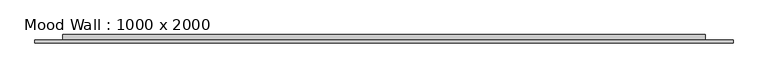
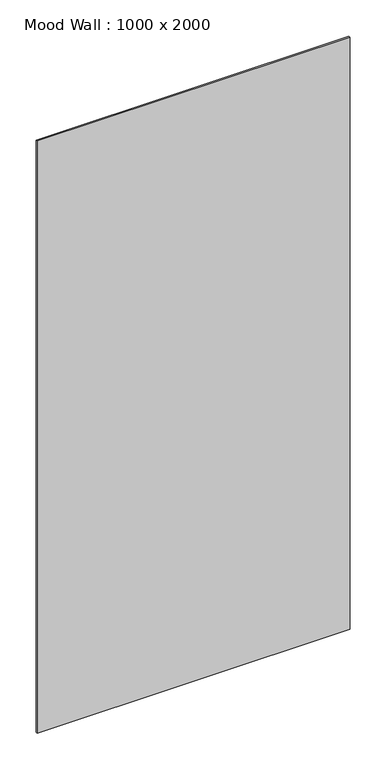
"""IFC4 building model written with IfcOpenShell, lengths in millimetres: furniture geometry, Mood Wall : 1000 x 2000."""

import ifcopenshell
import ifcopenshell.guid

model = None  # the IFC model being written
_history = None  # IfcOwnerHistory: only IFC2X3 demands one
_inside = {}  # id of a spatial element -> (the spatial element, [elements in it])
_under = {}  # id of a project, library or spatial element -> (it, [spatial elements below it])
_declared = {}  # id of a project -> (the project, [libraries it declares])
_typed = {}  # id of a type object -> (the type object, [elements of that type])
_made_of = {}  # id of a material, layer set ... -> (it, [elements and type objects made of it])


def new_model(schema):
    """Start an empty IFC model of exactly this schema.

    Asked for "IFC4X3", IfcOpenShell would pick the latest addendum, in which some entities
    have other attributes; the version numbers below select the first issue.
    IFC2X3 requires an IfcOwnerHistory on every rooted entity: one is made here for all.
    """
    global model, _history
    if schema == "IFC4X3":
        model = ifcopenshell.file(schema_version=(4, 3, 0, 0))
    else:
        model = ifcopenshell.file(schema=schema)
    _inside.clear()
    _under.clear()
    _declared.clear()
    _typed.clear()
    _made_of.clear()
    _history = None
    if model.schema == "IFC2X3":
        org = make("IfcOrganization", Name="unknown")
        user = make(
            "IfcPersonAndOrganization",
            ThePerson=make("IfcPerson", FamilyName="unknown"),
            TheOrganization=org,
        )
        app = make(
            "IfcApplication",
            ApplicationDeveloper=org,
            Version="unknown",
            ApplicationFullName="unknown",
            ApplicationIdentifier="unknown",
        )
        _history = make(
            "IfcOwnerHistory",
            OwningUser=user,
            OwningApplication=app,
            ChangeAction="ADDED",
            CreationDate=0,
        )
    return model


def make(cls, **values):
    """One entity of the class cls with the attributes given. An attribute that is None is left unset."""
    return model.create_entity(
        cls, **{name: value for name, value in values.items() if value is not None}
    )


def rooted(cls, **values):
    """An entity with a GlobalId (a new one), such as an element, a storey or a relation."""
    return make(cls, GlobalId=ifcopenshell.guid.new(), OwnerHistory=_history, **values)


def si_unit(unit_type, name, prefix=None):
    """IfcSIUnit, for example si_unit("LENGTHUNIT", "METRE", prefix="MILLI")."""
    return make("IfcSIUnit", UnitType=unit_type, Prefix=prefix, Name=name)


def assignment(units):
    """IfcUnitAssignment: the units of a project."""
    return None if units is None else make("IfcUnitAssignment", Units=units)


def point(xyz):
    """IfcCartesianPoint."""
    return None if xyz is None else make("IfcCartesianPoint", Coordinates=xyz)


def direction(xyz):
    """IfcDirection."""
    return None if xyz is None else make("IfcDirection", DirectionRatios=xyz)


def frame(location, z_axis=None, x_axis=None):
    """IfcAxis2Placement3D, a coordinate frame: its origin and axes. An axis left out is left unset."""
    return make(
        "IfcAxis2Placement3D",
        Location=point(location),
        Axis=direction(z_axis),
        RefDirection=direction(x_axis),
    )


def origin():
    """The frame at (0, 0, 0) with its axes left unset."""
    return frame((0.0, 0.0, 0.0))


def origin_with_axes():
    """The frame at (0, 0, 0) with the z axis (0, 0, 1) and the x axis (1, 0, 0) written out."""
    return frame((0.0, 0.0, 0.0), z_axis=(0.0, 0.0, 1.0), x_axis=(1.0, 0.0, 0.0))


def place(relative_to, where):
    """IfcLocalPlacement: puts the frame where relative to a parent placement (None: the world)."""
    return make(
        "IfcLocalPlacement", PlacementRelTo=relative_to, RelativePlacement=where
    )


def context(
    kind, dimensions, precision=None, world=None, true_north=None, identifier=None
):
    """IfcGeometricRepresentationContext, for example the 3D "Model" context."""
    return make(
        "IfcGeometricRepresentationContext",
        ContextIdentifier=identifier,
        ContextType=kind,
        CoordinateSpaceDimension=dimensions,
        Precision=precision,
        WorldCoordinateSystem=world,
        TrueNorth=true_north,
    )


def project(units=None, contexts=None):
    """IfcProject with its units and contexts."""
    return rooted(
        "IfcProject",
        Name="project",
        RepresentationContexts=contexts,
        UnitsInContext=assignment(units),
    )


def spatial(cls, under=None, at=None, **own):
    """A site, building, storey or space (cls), placed at a placement, below another one or the project."""
    s = rooted(cls, ObjectPlacement=at, **own)
    if under is not None:
        _under.setdefault(under.id(), (under, []))[1].append(s)
    return s


def polyline(points):
    """IfcPolyline through the points."""
    return make("IfcPolyline", Points=[point(p) for p in points])


def outline(outer, holes=None, kind="AREA"):
    """IfcArbitraryClosedProfileDef: a profile drawn as a closed curve; with holes, ...WithVoids."""
    if holes is None:
        return make("IfcArbitraryClosedProfileDef", ProfileType=kind, OuterCurve=outer)
    return make(
        "IfcArbitraryProfileDefWithVoids",
        ProfileType=kind,
        OuterCurve=outer,
        InnerCurves=holes,
    )


def extrude(swept, where, along, depth):
    """IfcExtrudedAreaSolid: the profile swept, set in the frame where, extruded along a direction by depth."""
    return make(
        "IfcExtrudedAreaSolid",
        SweptArea=swept,
        Position=where,
        ExtrudedDirection=direction(along),
        Depth=depth,
    )


def shape(context_of_items, identifier, shape_type, items):
    """IfcShapeRepresentation: the items that make up one representation, for example the "Body"."""
    return make(
        "IfcShapeRepresentation",
        ContextOfItems=context_of_items,
        RepresentationIdentifier=identifier,
        RepresentationType=shape_type,
        Items=items,
    )


def source(mapping_origin, context_of_items, identifier, shape_type, items):
    """IfcRepresentationMap: a shape defined once, which mapped items show again and again."""
    return make(
        "IfcRepresentationMap",
        MappingOrigin=mapping_origin,
        MappedRepresentation=shape(context_of_items, identifier, shape_type, items),
    )


def transform(
    local_origin,
    x_axis=None,
    y_axis=None,
    z_axis=None,
    scale=None,
    scale2=None,
    scale3=None,
    uniform=True,
):
    """IfcCartesianTransformationOperator3D, or its non-uniform kind. x_axis, y_axis, z_axis: its Axis1, 2, 3."""
    if uniform:
        return make(
            "IfcCartesianTransformationOperator3D",
            Axis1=direction(x_axis),
            Axis2=direction(y_axis),
            LocalOrigin=point(local_origin),
            Scale=scale,
            Axis3=direction(z_axis),
        )
    return make(
        "IfcCartesianTransformationOperator3DnonUniform",
        Axis1=direction(x_axis),
        Axis2=direction(y_axis),
        LocalOrigin=point(local_origin),
        Scale=scale,
        Axis3=direction(z_axis),
        Scale2=scale2,
        Scale3=scale3,
    )


def mapped(mapping_source, mapping_target):
    """IfcMappedItem: shows the shape of a source again, moved by a transform."""
    return make(
        "IfcMappedItem", MappingSource=mapping_source, MappingTarget=mapping_target
    )


def made_of(thing, what):
    """Note that an element or type object is made of a material, layer set ...; save() writes the relation."""
    if what is not None:
        _made_of.setdefault(what.id(), (what, []))[1].append(thing)
    return thing


def element(
    cls,
    number,
    at=None,
    inside=None,
    cuts=None,
    type_object=None,
    material=None,
    context=None,
    identifier="Body",
    shape_type=None,
    held_by="IfcProductDefinitionShape",
    body=None,
    shapes=None,
    **own,
):
    """One element of the class cls, such as IfcWall. Its Tag is "e" and its number.

    at: its placement. inside: the storey or other place that contains it. cuts: it is an
    opening in that element (IfcRelVoidsElement). A single representation is given by context,
    identifier, shape_type and body (its items); several are given by shapes. held_by: the class
    of the entity that holds the representations. save() writes the other relations.
    """
    e = rooted(cls, Tag="e%d" % number, ObjectPlacement=at, **own)
    if body is not None:
        shapes = [shape(context, identifier, shape_type, body)]
    if shapes is not None:
        e.Representation = make(held_by, Representations=shapes)
    if inside is not None:
        _inside.setdefault(inside.id(), (inside, []))[1].append(e)
    if cuts is not None:
        rooted(
            "IfcRelVoidsElement", RelatingBuildingElement=cuts, RelatedOpeningElement=e
        )
    if type_object is not None:
        _typed.setdefault(type_object.id(), (type_object, []))[1].append(e)
    return made_of(e, material)


def aggregate(whole, parts):
    """IfcRelAggregates: a whole, such as a stair, and the parts it consists of."""
    return rooted("IfcRelAggregates", RelatingObject=whole, RelatedObjects=parts)


def save(model, path):
    """Write the relations noted so far, then the file.

    IfcRelAggregates (storeys below a building ...), IfcRelContainedInSpatialStructure (elements
    in a storey), IfcRelDefinesByType, IfcRelAssociatesMaterial and IfcRelDeclares: one each for
    every whole, place, type object, material and project.
    """
    for whole, parts in _under.values():
        aggregate(whole, parts)
    for where, things in _inside.values():
        rooted(
            "IfcRelContainedInSpatialStructure",
            RelatedElements=things,
            RelatingStructure=where,
        )
    for kind, things in _typed.values():
        rooted("IfcRelDefinesByType", RelatedObjects=things, RelatingType=kind)
    for what, things in _made_of.values():
        rooted("IfcRelAssociatesMaterial", RelatedObjects=things, RelatingMaterial=what)
    for by, libraries in _declared.values():
        rooted("IfcRelDeclares", RelatingContext=by, RelatedDefinitions=libraries)
    model.write(path)


def mood_wall_1000_x_2000_d3611d74(model_context):
    return source(origin(), model_context, "Body", "SweptSolid", [
        extrude(outline(polyline([(500.0128906, -8.0), (500.0128906, -12.0), (-500.0128906, -12.0), (-500.0128906, -8.0), (500.0128906, -8.0)])), origin_with_axes(), (0.0, 0.0, 1.0), 1999.9523438),
        extrude(outline(polyline([(460.0128906, 0.0), (460.0128906, -8.0), (-460.0128906, -8.0), (-460.0128906, 0.0), (460.0128906, 0.0)])), frame((0.0, 0.0, 40.0), z_axis=(0.0, 0.0, 1.0), x_axis=(1.0, 0.0, 0.0)), (0.0, 0.0, 1.0), 1919.9523437),
    ])


if __name__ == "__main__":
    model = new_model("IFC4")
    model_context = context("Model", 3, world=origin())
    ifc_project = project(units=[si_unit("LENGTHUNIT", "METRE", prefix="MILLI")], contexts=[model_context])
    site = spatial("IfcSite", under=ifc_project)
    building = spatial("IfcBuilding", under=site)
    placement = place(None, origin())
    mood_wall_1000_x_2000_shape = mood_wall_1000_x_2000_d3611d74(model_context)
    element("IfcFurniture", 1, ObjectType="Mood Wall : 1000 x 2000", at=placement, inside=building, context=model_context, shape_type="MappedRepresentation", body=[
        mapped(mood_wall_1000_x_2000_shape, transform((0.0, 0.0, 0.0), x_axis=(1.0, 0.0, 0.0), y_axis=(0.0, 1.0, 0.0), z_axis=(0.0, 0.0, 1.0))),
    ])
    save(model, "model.ifc")
